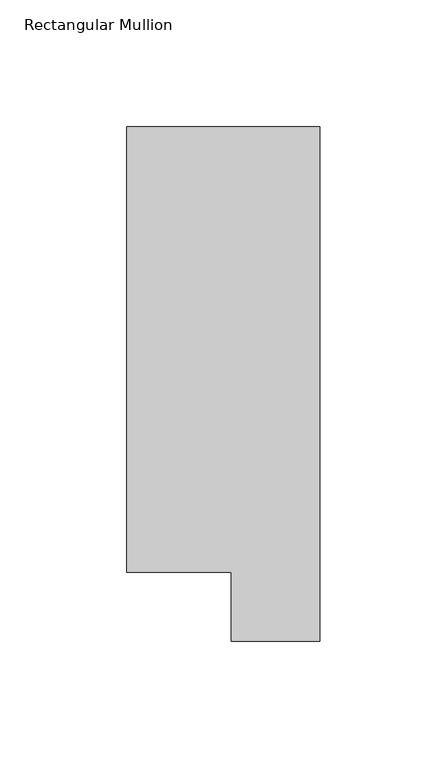
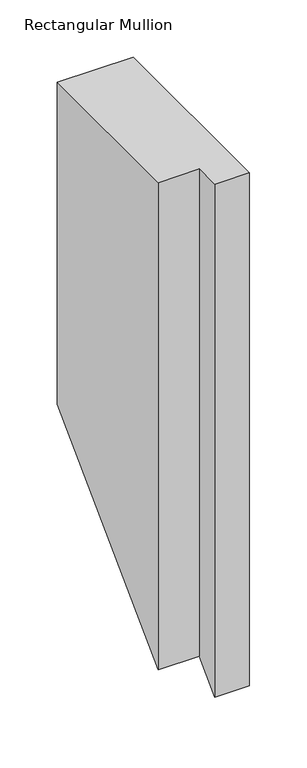
"""IFC4 building model written with IfcOpenShell, lengths in millimetres: member geometry, Rectangular Mullion."""

from ifc_helpers import new_model, si_unit, origin, place, context, project, spatial, faceted_brep, source, transform, mapped, element, save


def rectangular_mullion_23b45eb6(model_context):
    return source(origin(), model_context, "Body", "Brep", [
        faceted_brep([(0.0, 222.5381312, 0.0), (-76.2, 222.5381312, 0.0), (-76.2, 46.7447302, 0.0), (-34.9123, 46.7447302, 0.0), (-34.9123, 19.5667312, 0.0), (0.0, 19.5667312, 0.0), (0.0, 222.5381312, -342.6118687), (-76.2, 222.5381312, -342.6118687), (-76.2, 46.7447302, -518.4052698), (-34.9123, 46.7447302, -518.4052698), (-34.9123, 19.5667312, -545.5832687), (0.0, 19.5667312, -545.5832687)], [[[0, 1, 2, 3, 4, 5]], [[1, 0, 6, 7]], [[2, 1, 7, 8]], [[3, 2, 8, 9]], [[4, 3, 9, 10]], [[5, 4, 10, 11]], [[0, 5, 11, 6]], [[6, 11, 10, 9, 8, 7]]]),
    ])


if __name__ == "__main__":
    model = new_model("IFC4")
    model_context = context("Model", 3, world=origin())
    ifc_project = project(units=[si_unit("LENGTHUNIT", "METRE", prefix="MILLI")], contexts=[model_context])
    site = spatial("IfcSite", under=ifc_project)
    building = spatial("IfcBuilding", under=site)
    placement = place(None, origin())
    rectangular_mullion_shape = rectangular_mullion_23b45eb6(model_context)
    element("IfcMember", 1, ObjectType="Rectangular Mullion", at=placement, inside=building, context=model_context, shape_type="MappedRepresentation", body=[
        mapped(rectangular_mullion_shape, transform((0.0, 0.0, 0.0), x_axis=(1.0, 0.0, 0.0), y_axis=(0.0, 1.0, 0.0), z_axis=(0.0, 0.0, 1.0))),
    ])
    save(model, "model.ifc")
